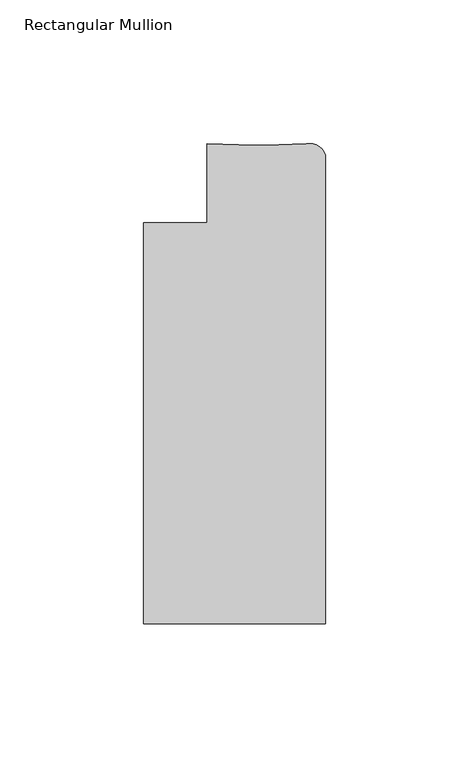
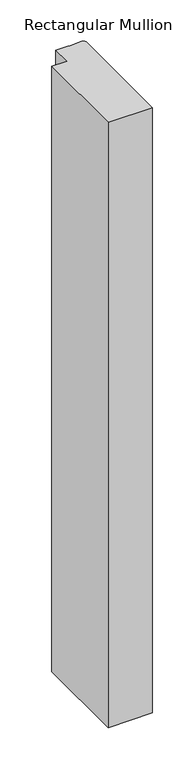
"""IFC4 building model written with IfcOpenShell, lengths in millimetres: member geometry, Rectangular Mullion."""

from ifc_helpers import new_model, si_unit, point, frame, frame_2d, origin, place, context, project, spatial, polyline, circle_curve, trimmed, segment, composite_curve, outline, extrude, source, transform, mapped, element, save


def rectangular_mullion_e851fd0b(model_context):
    return source(origin(), model_context, "Body", "SweptSolid", [
        extrude(outline(composite_curve([segment(polyline([(-63.5, -184.1429896), (-63.5, -44.4429946), (-41.2794957, -44.4429946), (-41.2794957, -16.8830855), (-24.990061, -17.3284874), (-21.1935714, -17.3284874), (-6.6765587, -16.8950484)]), True, "CONTINUOUS"), segment(trimmed(circle_curve(frame_2d((-5.5577367, -22.722189)), 5.9335766), [point((-6.6765587, -16.8950484))], [point((0.0, -20.6439941))], False, "CARTESIAN"), True, "CONTINUOUS"), segment(polyline([(0.0, -20.6439941), (0.0, -184.1429896), (-63.5, -184.1429896)]), True, "CONTINUOUS")], self_intersect=False)), frame((0.0, 0.0, -914.4), z_axis=(0.0, 0.0, 1.0), x_axis=(1.0, 0.0, 0.0)), (0.0, 0.0, 1.0), 914.4),
    ])


if __name__ == "__main__":
    model = new_model("IFC4")
    model_context = context("Model", 3, world=origin())
    ifc_project = project(units=[si_unit("LENGTHUNIT", "METRE", prefix="MILLI")], contexts=[model_context])
    site = spatial("IfcSite", under=ifc_project)
    building = spatial("IfcBuilding", under=site)
    placement = place(None, origin())
    rectangular_mullion_shape = rectangular_mullion_e851fd0b(model_context)
    element("IfcMember", 1, ObjectType="Rectangular Mullion", at=placement, inside=building, context=model_context, shape_type="MappedRepresentation", body=[
        mapped(rectangular_mullion_shape, transform((0.0, 0.0, 0.0), x_axis=(1.0, 0.0, 0.0), y_axis=(0.0, 1.0, 0.0), z_axis=(0.0, 0.0, 1.0))),
    ])
    save(model, "model.ifc")
